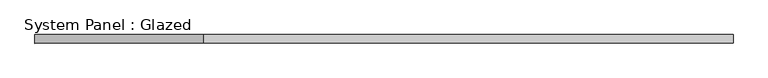
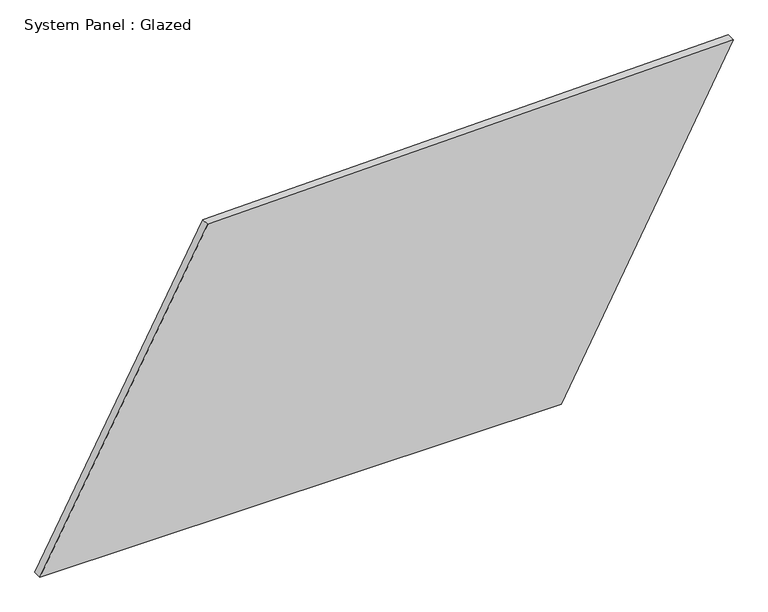
"""IFC4 building model written with IfcOpenShell, lengths in millimetres: plate geometry, System Panel : Glazed."""

from ifc_helpers import new_model, si_unit, frame, origin, place, context, project, spatial, polyline, outline, extrude, source, transform, mapped, element, save


def system_panel_glazed_97b91676(model_context):
    return source(origin(), model_context, "Body", "SweptSolid", [
        extrude(outline(polyline([(0.0, -1016.4813503), (0.0, 512.8981454), (953.9216139, 1016.4813503), (920.822712, -524.3215458), (0.0, -1016.4813503)])), frame((0.0, -49.5, 0.0), z_axis=(0.0, 1.0, 0.0), x_axis=(0.0, 0.0, 1.0)), (0.0, 0.0, 1.0), 25.0),
    ])


if __name__ == "__main__":
    model = new_model("IFC4")
    model_context = context("Model", 3, world=origin())
    ifc_project = project(units=[si_unit("LENGTHUNIT", "METRE", prefix="MILLI")], contexts=[model_context])
    site = spatial("IfcSite", under=ifc_project)
    building = spatial("IfcBuilding", under=site)
    placement = place(None, origin())
    system_panel_glazed_shape = system_panel_glazed_97b91676(model_context)
    element("IfcPlate", 1, ObjectType="System Panel : Glazed", at=placement, inside=building, context=model_context, shape_type="MappedRepresentation", body=[
        mapped(system_panel_glazed_shape, transform((0.0, 0.0, 0.0), x_axis=(1.0, 0.0, 0.0), y_axis=(0.0, 1.0, 0.0), z_axis=(0.0, 0.0, 1.0))),
    ])
    save(model, "model.ifc")
